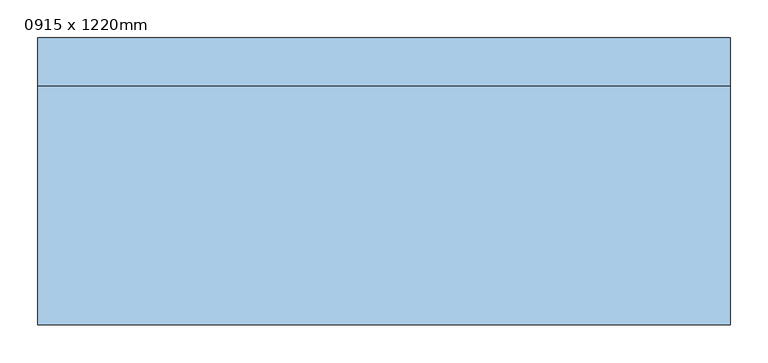
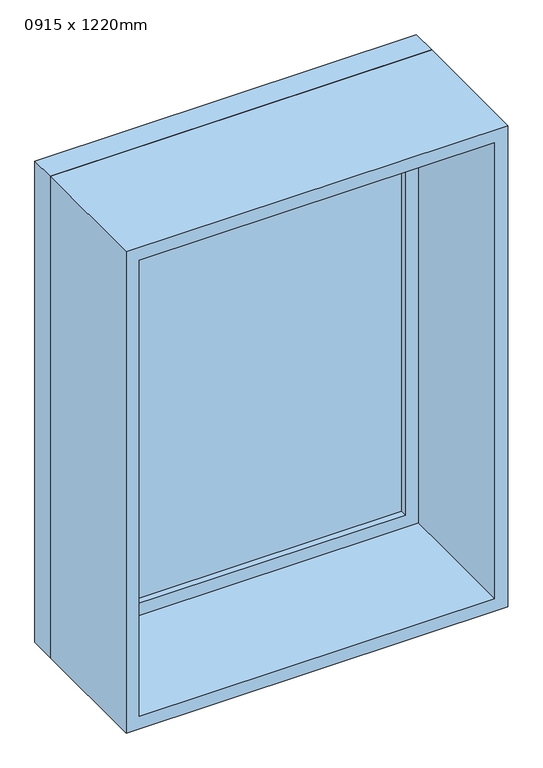
"""IFC4 building model written with IfcOpenShell, lengths in millimetres: window geometry, 0915 x 1220mm."""

from ifc_helpers import new_model, si_unit, frame, origin, place, context, project, spatial, polyline, outline, extrude, source, transform, mapped, element, save


def window_0915_x_1220mm_e1820d54(model_context):
    return source(origin(), model_context, "Body", "SweptSolid", [
        extrude(outline(polyline([(-394.5, 167.5), (394.5, 167.5), (394.5, 155.5), (-394.5, 155.5), (-394.5, 167.5)])), frame((0.0, 0.0, 978.0), z_axis=(0.0, 0.0, 1.0), x_axis=(1.0, 0.0, 0.0)), (0.0, 0.0, 1.0), 1094.0),
        extrude(outline(polyline([(2116.0, -438.5), (934.0, -438.5), (934.0, 438.5), (2116.0, 438.5), (2116.0, -438.5)]), holes=[polyline([(2072.0, -394.5), (2072.0, 394.5), (978.0, 394.5), (978.0, -394.5), (2072.0, -394.5)])]), frame((0.0, 139.5, 0.0), z_axis=(0.0, 1.0, 0.0), x_axis=(0.0, 0.0, 1.0)), (0.0, 0.0, 1.0), 44.0),
        extrude(outline(polyline([(2135.0, -457.5), (915.0, -457.5), (915.0, 457.5), (2135.0, 457.5), (2135.0, -457.5)]), holes=[polyline([(2116.0, -438.5), (2116.0, 438.5), (934.0, 438.5), (934.0, -438.5), (2116.0, -438.5)])]), frame((0.0, 139.5, 0.0), z_axis=(0.0, 1.0, 0.0), x_axis=(0.0, 0.0, 1.0)), (0.0, 0.0, 1.0), 63.0),
        extrude(outline(polyline([(2135.0, -457.5), (915.0, -457.5), (915.0, 457.5), (2135.0, 457.5), (2135.0, -457.5)]), holes=[polyline([(2103.0, -425.5), (2103.0, 425.5), (947.0, 425.5), (947.0, -425.5), (2103.0, -425.5)])]), frame((0.0, -176.5, 0.0), z_axis=(0.0, 1.0, 0.0), x_axis=(0.0, 0.0, 1.0)), (0.0, 0.0, 1.0), 316.0),
    ])


if __name__ == "__main__":
    model = new_model("IFC4")
    model_context = context("Model", 3, world=origin())
    ifc_project = project(units=[si_unit("LENGTHUNIT", "METRE", prefix="MILLI")], contexts=[model_context])
    site = spatial("IfcSite", under=ifc_project)
    building = spatial("IfcBuilding", under=site)
    placement = place(None, origin())
    window_0915_x_1220mm_shape = window_0915_x_1220mm_e1820d54(model_context)
    element("IfcWindow", 1, ObjectType="0915 x 1220mm", at=placement, inside=building, context=model_context, shape_type="MappedRepresentation", body=[
        mapped(window_0915_x_1220mm_shape, transform((0.0, 0.0, 0.0), x_axis=(1.0, 0.0, 0.0), y_axis=(0.0, 1.0, 0.0), z_axis=(0.0, 0.0, 1.0))),
    ])
    save(model, "model.ifc")
